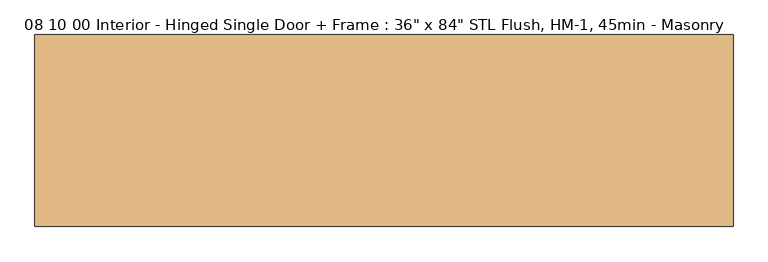
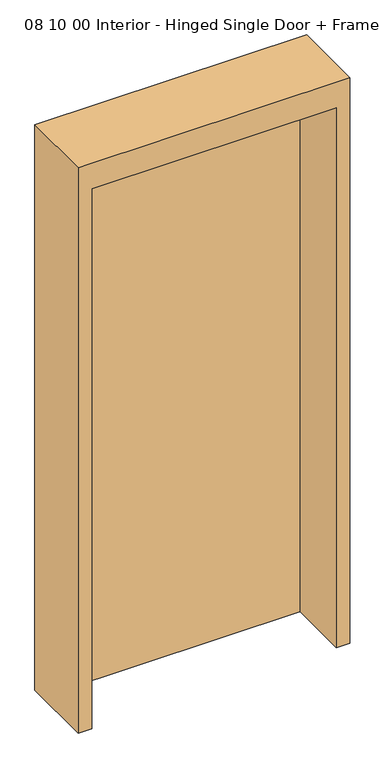
"""IFC4 building model written with IfcOpenShell, lengths in millimetres: door geometry."""

from ifc_helpers import new_model, si_unit, frame, origin, origin_with_axes, place, context, project, spatial, polyline, outline, extrude, source, transform, mapped, element, save


def door_a66ec01c(model_context):
    return source(origin(), model_context, "Body", "SweptSolid", [
        extrude(outline(polyline([(457.2, 184.15), (-457.2, 184.15), (-457.2, 228.6), (457.2, 228.6), (457.2, 184.15)])), origin_with_axes(), (0.0, 0.0, 1.0), 2133.6),
        extrude(outline(polyline([(0.0, -508.0), (0.0, -457.2), (2133.6, -457.2), (2133.6, 457.2), (0.0, 457.2), (0.0, 508.0), (2235.2, 508.0), (2235.2, -508.0), (0.0, -508.0)])), frame((0.0, -50.8, 0.0), z_axis=(0.0, 1.0, 0.0), x_axis=(0.0, 0.0, 1.0)), (0.0, 0.0, 1.0), 279.4),
    ])


if __name__ == "__main__":
    model = new_model("IFC4")
    model_context = context("Model", 3, world=origin())
    ifc_project = project(units=[si_unit("LENGTHUNIT", "METRE", prefix="MILLI")], contexts=[model_context])
    site = spatial("IfcSite", under=ifc_project)
    building = spatial("IfcBuilding", under=site)
    placement = place(None, origin())
    door_shape = door_a66ec01c(model_context)
    element("IfcDoor", 1, ObjectType="08 10 00 Interior - Hinged Single Door + Frame : 36\" x 84\" STL Flush, HM-1, 45min - Masonry", at=placement, inside=building, context=model_context, shape_type="MappedRepresentation", body=[
        mapped(door_shape, transform((0.0, 0.0, 0.0), x_axis=(1.0, 0.0, 0.0), y_axis=(0.0, 1.0, 0.0), z_axis=(0.0, 0.0, 1.0))),
    ])
    save(model, "model.ifc")
